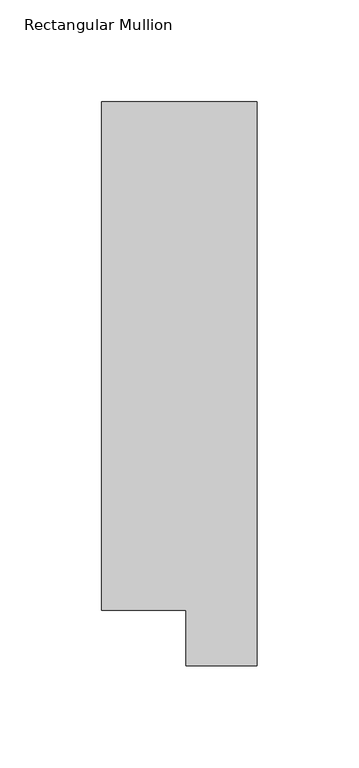
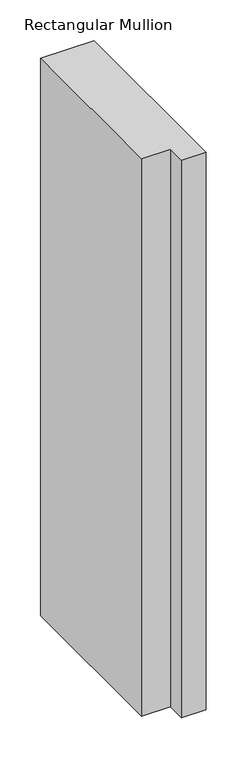
"""IFC4 building model written with IfcOpenShell, lengths in millimetres: member geometry, Rectangular Mullion."""

from ifc_helpers import new_model, si_unit, frame, origin, place, context, project, spatial, polyline, outline, extrude, source, transform, mapped, element, save


def rectangular_mullion_f78f2bae(model_context):
    return source(origin(), model_context, "Body", "SweptSolid", [
        extrude(outline(polyline([(0.0, 295.9695313), (0.0, 19.5667312), (-34.9123, 19.5667312), (-34.9123, 46.7447302), (-76.2, 46.7447302), (-76.2, 295.9695313), (0.0, 295.9695313)])), frame((0.0, 0.0, -838.2), z_axis=(0.0, 0.0, 1.0), x_axis=(1.0, 0.0, 0.0)), (0.0, 0.0, 1.0), 838.2),
    ])


if __name__ == "__main__":
    model = new_model("IFC4")
    model_context = context("Model", 3, world=origin())
    ifc_project = project(units=[si_unit("LENGTHUNIT", "METRE", prefix="MILLI")], contexts=[model_context])
    site = spatial("IfcSite", under=ifc_project)
    building = spatial("IfcBuilding", under=site)
    placement = place(None, origin())
    rectangular_mullion_shape = rectangular_mullion_f78f2bae(model_context)
    element("IfcMember", 1, ObjectType="Rectangular Mullion", at=placement, inside=building, context=model_context, shape_type="MappedRepresentation", body=[
        mapped(rectangular_mullion_shape, transform((0.0, 0.0, 0.0), x_axis=(1.0, 0.0, 0.0), y_axis=(0.0, 1.0, 0.0), z_axis=(0.0, 0.0, 1.0))),
    ])
    save(model, "model.ifc")
